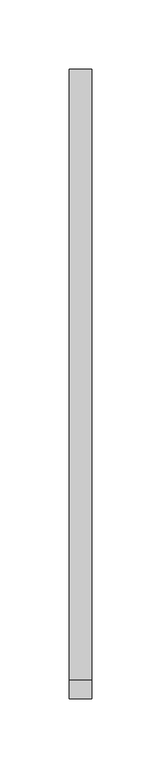
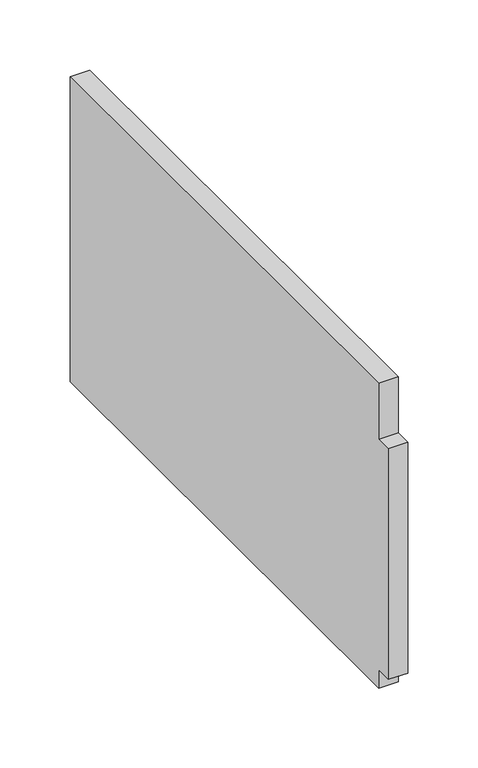
"""IFC4 building model written with IfcOpenShell, lengths in millimetres: proxy geometry."""

from ifc_helpers import new_model, si_unit, frame, origin, place, context, project, spatial, polyline, outline, extrude, source, transform, mapped, element, save


def generic_models_91da535f(model_context):
    return source(origin(), model_context, "Body", "SweptSolid", [
        extrude(outline(polyline([(226.85, 20.35), (226.85, -245.3), (-213.088, -245.3), (-213.088, -229.3012179), (-226.85, -229.3012179), (-226.85, -28.55), (-213.088, -28.55), (-213.088, 20.35), (226.85, 20.35)])), frame((0.0, 0.0, 0.0), z_axis=(1.0, 0.0, 0.0), x_axis=(0.0, 1.0, 0.0)), (0.0, 0.0, 1.0), 16.0),
    ])


if __name__ == "__main__":
    model = new_model("IFC4")
    model_context = context("Model", 3, world=origin())
    ifc_project = project(units=[si_unit("LENGTHUNIT", "METRE", prefix="MILLI")], contexts=[model_context])
    site = spatial("IfcSite", under=ifc_project)
    building = spatial("IfcBuilding", under=site)
    placement = place(None, origin())
    generic_models_shape = generic_models_91da535f(model_context)
    element("IfcBuildingElementProxy", 1, Name="Generic Models", at=placement, inside=building, context=model_context, shape_type="MappedRepresentation", body=[
        mapped(generic_models_shape, transform((0.0, 0.0, 0.0), x_axis=(1.0, 0.0, 0.0), y_axis=(0.0, 1.0, 0.0), z_axis=(0.0, 0.0, 1.0))),
    ])
    save(model, "model.ifc")
